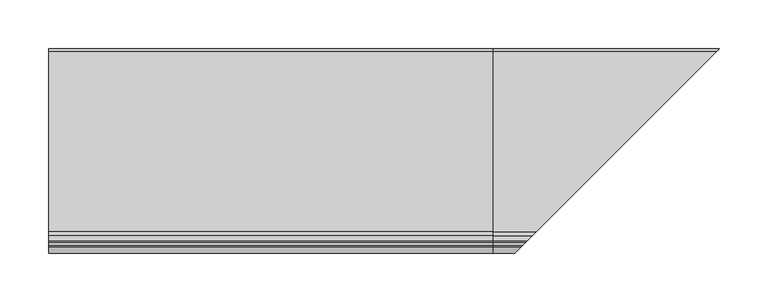
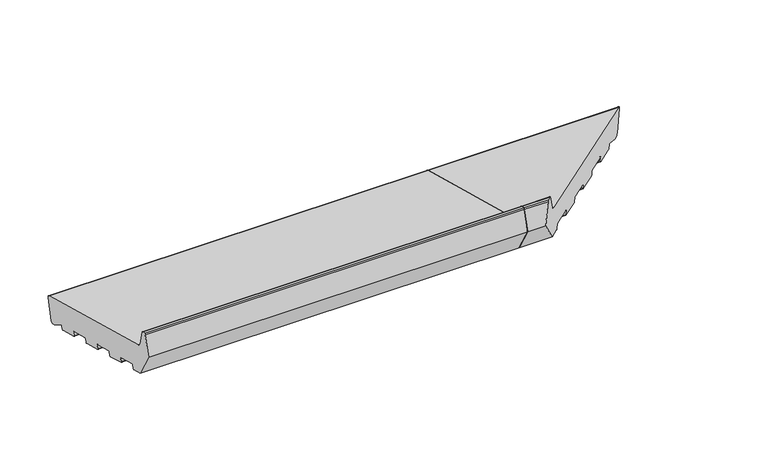
"""IFC4 building model written with IfcOpenShell, lengths in millimetres: proxy geometry."""

from ifc_helpers import new_model, si_unit, point, frame, frame_2d, origin, place, context, project, spatial, polyline, circle_curve, ellipse_curve, trimmed, segment, composite_curve, outline, extrude, source, transform, mapped, element, save
from ifc_brep_helpers import plane_surface, cylinder_surface, revolved_surface, advanced_brep


def generic_models_ef19a88b(model_context):
    return source(origin(), model_context, "Body", "SolidModel", [
        advanced_brep(
        [(455.0, 27.5646181, 4.649359), (455.0, 24.8478405, 5.3773174), (455.0, 10.6796108, 13.9647636), (455.0, 9.195355, 13.368402), (455.0, 8.2461016, 9.8257399), (455.0, 7.0213567, 9.1186331), (455.0, -15.1949373, 15.0714712), (455.0, -15.9020441, 16.2962161), (455.0, -14.8667679, 20.1599194), (455.0, -15.5738747, 21.3846642), (455.0, -38.7560945, 27.5963213), (455.0, -39.9808394, 26.8892145), (455.0, -41.0161156, 23.0255112), (455.0, -42.2408604, 22.3184044), (455.0, -64.4571545, 28.2712425), (455.0, -65.1642612, 29.4959874), (455.0, -64.1289851, 33.3596907), (455.0, -64.8360918, 34.5844355), (455.0, -88.0183117, 40.7960926), (455.0, -89.2430565, 40.0889858), (455.0, -90.2783327, 36.2252825), (455.0, -91.5030776, 35.5181757), (455.0, -113.7193716, 41.4710138), (455.0, -114.4264784, 42.6957587), (455.0, -113.3912022, 46.559462), (455.0, -114.098309, 47.7842068), (455.0, -137.2805288, 53.9958639), (455.0, -138.5052737, 53.2887571), (455.0, -139.5405499, 49.4250538), (455.0, -140.7652947, 48.717947), (455.0, -153.3223305, 52.0825946), (455.0, -171.0, 82.7012164), (455.0, -164.4291321, 107.2240293), (455.0, -162.9802434, 108.3358007), (455.0, -159.6368689, 108.3358007), (455.0, -158.1879801, 107.2240293), (455.0, -153.4052841, 89.3747645), (455.0, -149.1626434, 85.1321238), (455.0, 35.8468275, 35.5589855), (455.0, 37.9681479, 31.8847509), (455.0, 31.2388527, 6.7706794), (679.2388527, 31.2388527, 6.7706794), (675.5646181, 27.5646181, 4.649359), (685.9681479, 37.9681479, 31.8847509), (683.8468275, 35.8468275, 35.5589855), (498.8373566, -149.1626434, 85.1321238), (494.5947159, -153.4052841, 89.3747645), (489.8120199, -158.1879801, 107.2240293), (488.3631311, -159.6368689, 108.3358007), (485.0197566, -162.9802434, 108.3358007), (483.5708679, -164.4291321, 107.2240293), (477.0, -171.0, 82.7012164), (494.6776695, -153.3223305, 52.0825946), (507.2347053, -140.7652947, 48.717947), (508.4594501, -139.5405499, 49.4250538), (509.4947263, -138.5052737, 53.2887571), (510.7194712, -137.2805288, 53.9958639), (533.901691, -114.098309, 47.7842068), (534.6087978, -113.3912022, 46.559462), (533.5735216, -114.4264784, 42.6957587), (534.2806284, -113.7193716, 41.4710138), (556.4969224, -91.5030776, 35.5181757), (557.7216673, -90.2783327, 36.2252825), (558.7569435, -89.2430565, 40.0889858), (559.9816883, -88.0183117, 40.7960926), (672.8478405, 24.8478405, 5.3773174), (583.1639082, -64.8360918, 34.5844355), (583.5428455, -64.4571545, 28.2712425), (582.8357388, -65.1642612, 29.4959874), (583.8710149, -64.1289851, 33.3596907), (605.7591396, -42.2408604, 22.3184044), (606.9838844, -41.0161156, 23.0255112), (608.0191606, -39.9808394, 26.8892145), (609.2439055, -38.7560945, 27.5963213), (632.4261253, -15.5738747, 21.3846642), (633.1332321, -14.8667679, 20.1599194), (632.0979559, -15.9020441, 16.2962161), (632.8050627, -15.1949373, 15.0714712), (655.0213567, 7.0213567, 9.1186331), (656.2461016, 8.2461016, 9.8257399), (657.195355, 9.195355, 13.368402), (658.6796108, 10.6796108, 13.9647636)],
        [
            (0, 1),
            (1, 2),
            (2, 3, circle_curve(frame((455.0, 10.1612808, 13.1095829), z_axis=(1.0, 0.0, 0.0), x_axis=(0.0, 1.0, 0.0)), 1.0)),
            (3, 4),
            (4, 5, circle_curve(frame((455.0, 7.2801757, 10.084559), z_axis=(-1.0, 0.0, 0.0), x_axis=(0.0, 1.0, 0.0)), 1.0)),
            (5, 6),
            (6, 7, circle_curve(frame((455.0, -14.9361183, 16.037397), z_axis=(-1.0, 0.0, 0.0), x_axis=(0.0, 1.0, 0.0)), 1.0)),
            (7, 8),
            (8, 9, circle_curve(frame((455.0, -15.8326937, 20.4187384), z_axis=(1.0, 0.0, 0.0), x_axis=(0.0, 1.0, 0.0)), 1.0)),
            (9, 10),
            (10, 11, circle_curve(frame((455.0, -39.0149136, 26.6303955), z_axis=(1.0, 0.0, 0.0), x_axis=(0.0, 1.0, 0.0)), 1.0)),
            (11, 12),
            (12, 13, circle_curve(frame((455.0, -41.9820414, 23.2843303), z_axis=(-1.0, 0.0, 0.0), x_axis=(0.0, 1.0, 0.0)), 1.0)),
            (13, 14),
            (14, 15, circle_curve(frame((455.0, -64.1983354, 29.2371683), z_axis=(-1.0, 0.0, 0.0), x_axis=(0.0, 1.0, 0.0)), 1.0)),
            (15, 16),
            (16, 17, circle_curve(frame((455.0, -65.0949109, 33.6185097), z_axis=(1.0, 0.0, 0.0), x_axis=(0.0, 1.0, 0.0)), 1.0)),
            (17, 18),
            (18, 19, circle_curve(frame((455.0, -88.2771307, 39.8301668), z_axis=(1.0, 0.0, 0.0), x_axis=(0.0, 1.0, 0.0)), 1.0)),
            (19, 20),
            (20, 21, circle_curve(frame((455.0, -91.2442585, 36.4841016), z_axis=(-1.0, 0.0, 0.0), x_axis=(0.0, 1.0, 0.0)), 1.0)),
            (21, 22),
            (22, 23, circle_curve(frame((455.0, -113.4605525, 42.4369396), z_axis=(-1.0, 0.0, 0.0), x_axis=(0.0, 1.0, 0.0)), 1.0)),
            (23, 24),
            (24, 25, circle_curve(frame((455.0, -114.357128, 46.818281), z_axis=(1.0, 0.0, 0.0), x_axis=(0.0, 1.0, 0.0)), 1.0)),
            (25, 26),
            (26, 27, circle_curve(frame((455.0, -137.5393479, 53.0299381), z_axis=(1.0, 0.0, 0.0), x_axis=(0.0, 1.0, 0.0)), 1.0)),
            (27, 28),
            (28, 29, circle_curve(frame((455.0, -140.5064757, 49.6838729), z_axis=(-1.0, 0.0, 0.0), x_axis=(0.0, 1.0, 0.0)), 1.0)),
            (29, 30),
            (30, 31),
            (31, 32),
            (32, 33, circle_curve(frame((455.0, -162.9802434, 106.8358007), z_axis=(-1.0, 0.0, 0.0), x_axis=(0.0, 1.0, 0.0)), 1.5)),
            (33, 34),
            (34, 35, circle_curve(frame((455.0, -159.6368689, 106.8358007), z_axis=(-1.0, 0.0, 0.0), x_axis=(0.0, 1.0, 0.0)), 1.5)),
            (35, 36),
            (36, 37, circle_curve(frame((455.0, -147.6097291, 90.9276787), z_axis=(1.0, 0.0, 0.0), x_axis=(0.0, 1.0, 0.0)), 6.0)),
            (37, 38),
            (38, 39, circle_curve(frame((455.0, 35.0703704, 32.661208), z_axis=(-1.0, 0.0, 0.0), x_axis=(0.0, 1.0, 0.0)), 3.0)),
            (39, 40),
            (40, 0, circle_curve(frame((455.0, 28.3410752, 7.5471365), z_axis=(-1.0, 0.0, 0.0), x_axis=(0.0, 1.0, 0.0)), 3.0)),
            (40, 41),
            (41, 42, ellipse_curve(frame((676.3410752, 28.3410752, 7.5471365), z_axis=(-0.707106781186548, 0.7071067811865471, 0.0), x_axis=(0.707106781186547, 0.707106781186548, 0.0)), 4.2426407, 3.0)),
            (42, 0),
            (39, 43),
            (43, 41),
            (38, 44),
            (44, 43, ellipse_curve(frame((683.0703704, 35.0703704, 32.661208), z_axis=(-0.707106781186548, 0.7071067811865471, 0.0), x_axis=(0.707106781186547, 0.707106781186548, 0.0)), 4.2426407, 3.0)),
            (37, 45),
            (45, 44),
            (36, 46),
            (46, 45, ellipse_curve(frame((500.3902709, -147.6097291, 90.9276787), z_axis=(0.707106781186548, -0.7071067811865471, 0.0), x_axis=(-0.707106781186547, -0.707106781186548, 0.0)), 8.4852814, 6.0)),
            (35, 47),
            (47, 46),
            (34, 48),
            (48, 47, ellipse_curve(frame((488.3631311, -159.6368689, 106.8358007), z_axis=(-0.707106781186548, 0.7071067811865471, 0.0), x_axis=(0.707106781186547, 0.707106781186548, 0.0)), 2.1213203, 1.5)),
            (33, 49),
            (49, 48),
            (32, 50),
            (50, 49, ellipse_curve(frame((485.0197566, -162.9802434, 106.8358007), z_axis=(-0.707106781186548, 0.7071067811865471, 0.0), x_axis=(0.707106781186547, 0.707106781186548, 0.0)), 2.1213203, 1.5)),
            (31, 51),
            (51, 50),
            (30, 52),
            (52, 51),
            (29, 53),
            (53, 52),
            (28, 54),
            (54, 53, ellipse_curve(frame((507.4935243, -140.5064757, 49.6838729), z_axis=(-0.707106781186548, 0.7071067811865471, 0.0), x_axis=(0.707106781186547, 0.707106781186548, 0.0)), 1.4142136, 1.0)),
            (27, 55),
            (55, 54),
            (26, 56),
            (56, 55, ellipse_curve(frame((510.4606521, -137.5393479, 53.0299381), z_axis=(0.707106781186548, -0.7071067811865471, 0.0), x_axis=(-0.707106781186547, -0.707106781186548, 0.0)), 1.4142136, 1.0)),
            (25, 57),
            (57, 56),
            (24, 58),
            (58, 57, ellipse_curve(frame((533.642872, -114.357128, 46.818281), z_axis=(0.707106781186548, -0.7071067811865471, 0.0), x_axis=(-0.707106781186547, -0.707106781186548, 0.0)), 1.4142136, 1.0)),
            (23, 59),
            (59, 58),
            (22, 60),
            (60, 59, ellipse_curve(frame((534.5394475, -113.4605525, 42.4369396), z_axis=(-0.707106781186548, 0.7071067811865471, 0.0), x_axis=(0.707106781186547, 0.707106781186548, 0.0)), 1.4142136, 1.0)),
            (21, 61),
            (61, 60),
            (20, 62),
            (62, 61, ellipse_curve(frame((556.7557415, -91.2442585, 36.4841016), z_axis=(-0.707106781186548, 0.7071067811865471, 0.0), x_axis=(0.707106781186547, 0.707106781186548, 0.0)), 1.4142136, 1.0)),
            (19, 63),
            (63, 62),
            (18, 64),
            (64, 63, ellipse_curve(frame((559.7228693, -88.2771307, 39.8301668), z_axis=(0.707106781186548, -0.7071067811865471, 0.0), x_axis=(-0.707106781186547, -0.707106781186548, 0.0)), 1.4142136, 1.0)),
            (42, 65),
            (65, 1),
            (17, 66),
            (66, 64),
            (14, 67),
            (67, 68, ellipse_curve(frame((583.8016646, -64.1983354, 29.2371683), z_axis=(-0.707106781186548, 0.7071067811865471, 0.0), x_axis=(0.707106781186547, 0.707106781186548, 0.0)), 1.4142136, 1.0)),
            (68, 15),
            (68, 69),
            (69, 16),
            (69, 66, ellipse_curve(frame((582.9050891, -65.0949109, 33.6185097), z_axis=(0.707106781186548, -0.7071067811865471, 0.0), x_axis=(-0.707106781186547, -0.707106781186548, 0.0)), 1.4142136, 1.0)),
            (13, 70),
            (70, 67),
            (12, 71),
            (71, 70, ellipse_curve(frame((606.0179586, -41.9820414, 23.2843303), z_axis=(-0.707106781186548, 0.7071067811865471, 0.0), x_axis=(0.707106781186547, 0.707106781186548, 0.0)), 1.4142136, 1.0)),
            (11, 72),
            (72, 71),
            (10, 73),
            (73, 72, ellipse_curve(frame((608.9850864, -39.0149136, 26.6303955), z_axis=(0.707106781186548, -0.7071067811865471, 0.0), x_axis=(-0.707106781186547, -0.707106781186548, 0.0)), 1.4142136, 1.0)),
            (9, 74),
            (74, 73),
            (74, 75, ellipse_curve(frame((632.1673063, -15.8326937, 20.4187384), z_axis=(-0.707106781186548, 0.7071067811865471, 0.0), x_axis=(-0.707106781186547, -0.707106781186548, 0.0)), 1.4142136, 1.0)),
            (75, 76),
            (76, 77, ellipse_curve(frame((633.0638817, -14.9361183, 16.037397), z_axis=(0.707106781186548, -0.7071067811865471, 0.0), x_axis=(0.707106781186547, 0.707106781186548, 0.0)), 1.4142136, 1.0)),
            (77, 78),
            (78, 79, ellipse_curve(frame((655.2801757, 7.2801757, 10.084559), z_axis=(0.707106781186548, -0.7071067811865471, 0.0), x_axis=(0.707106781186547, 0.707106781186548, 0.0)), 1.4142136, 1.0)),
            (79, 80),
            (80, 81, ellipse_curve(frame((658.1612808, 10.1612808, 13.1095829), z_axis=(-0.707106781186548, 0.7071067811865471, 0.0), x_axis=(-0.707106781186547, -0.707106781186548, 0.0)), 1.4142136, 1.0)),
            (81, 65),
            (81, 2),
            (80, 3),
            (79, 4),
            (78, 5),
            (77, 6),
            (76, 7),
            (75, 8),
        ],
        [
            plane_surface(frame((455.0, 0.0, 0.0), z_axis=(-1.0, 0.0, 0.0), x_axis=(0.0, 0.0, 1.0))),
            cylinder_surface(frame((686.2117918, 28.3410752, 7.5471365), z_axis=(1.0, 0.0, 0.0), x_axis=(0.0, 1.0, 0.0)), 3.0),
            plane_surface(frame((686.2117918, 37.9681479, 31.8847509), z_axis=(0.0, 0.9659258262890688, -0.2588190451025192), x_axis=(-1.0, 0.0, 0.0))),
            cylinder_surface(frame((686.2117918, 35.0703704, 32.661208), z_axis=(1.0, 0.0, 0.0), x_axis=(0.0, 1.0, 0.0)), 3.0),
            plane_surface(frame((686.2117918, -149.1626434, 85.1321238), z_axis=(0.0, 0.2588190451025207, 0.9659258262890683), x_axis=(-1.0, 0.0, 0.0))),
            revolved_surface(polyline([(455.0, -141.6097291, 90.9276787), (506.39027091821606, -141.6097291, 90.9276787)]), (686.2117918, -147.6097291, 90.9276787), (-1.0, 0.0, 0.0)),
            plane_surface(frame((686.2117918, -158.1879801, 107.2240293), z_axis=(0.0, 0.9659258262890698, 0.25881904510251524), x_axis=(-1.0, 0.0, 0.0))),
            cylinder_surface(frame((686.2117918, -159.6368689, 106.8358007), z_axis=(1.0, 0.0, 0.0), x_axis=(0.0, 1.0, 0.0)), 1.5),
            plane_surface(frame((686.2117918, -162.9802434, 108.3358007), z_axis=(0.0, 0.0, 1.0), x_axis=(-1.0, 0.0, 0.0))),
            cylinder_surface(frame((686.2117918, -162.9802434, 106.8358007), z_axis=(1.0, 0.0, 0.0), x_axis=(0.0, 1.0, 0.0)), 1.5),
            plane_surface(frame((686.2117918, -171.0, 82.7012164), z_axis=(0.0, -0.9659258262890683, 0.2588190451025209), x_axis=(-1.0, 0.0, 0.0))),
            plane_surface(frame((686.2117918, -153.3223305, 52.0825946), z_axis=(0.0, -0.8660254037844415, -0.4999999999999952), x_axis=(-1.0, 0.0, 0.0))),
            plane_surface(frame((686.2117918, -140.7652947, 48.717947), z_axis=(0.0, -0.2588190451025172, -0.9659258262890693), x_axis=(-1.0, 0.0, 0.0))),
            cylinder_surface(frame((686.2117918, -140.5064757, 49.6838729), z_axis=(1.0, 0.0, 0.0), x_axis=(0.0, 1.0, 0.0)), 1.0),
            plane_surface(frame((686.2117918, -138.5052737, 53.2887571), z_axis=(0.0, 0.9659258262890776, -0.25881904510248605), x_axis=(-1.0, 0.0, 0.0))),
            revolved_surface(polyline([(455.0, -136.5393479, 53.0299381), (511.46065212660625, -136.5393479, 53.0299381)]), (686.2117918, -137.5393479, 53.0299381), (-1.0, 0.0, 0.0)),
            plane_surface(frame((686.2117918, -114.098309, 47.7842068), z_axis=(0.0, -0.258819045102523, -0.9659258262890678), x_axis=(-1.0, 0.0, 0.0))),
            revolved_surface(polyline([(455.0, -113.357128, 46.818281), (534.6428720266063, -113.357128, 46.818281)]), (686.2117918, -114.357128, 46.818281), (-1.0, 0.0, 0.0)),
            plane_surface(frame((686.2117918, -114.4264784, 42.6957587), z_axis=(0.0, -0.9659258262890776, 0.25881904510248605), x_axis=(-1.0, 0.0, 0.0))),
            cylinder_surface(frame((686.2117918, -113.4605525, 42.4369396), z_axis=(1.0, 0.0, 0.0), x_axis=(0.0, 1.0, 0.0)), 1.0),
            plane_surface(frame((686.2117918, -91.5030776, 35.5181757), z_axis=(0.0, -0.2588190451025226, -0.9659258262890679), x_axis=(-1.0, 0.0, 0.0))),
            cylinder_surface(frame((686.2117918, -91.2442585, 36.4841016), z_axis=(1.0, 0.0, 0.0), x_axis=(0.0, 1.0, 0.0)), 1.0),
            plane_surface(frame((686.2117918, -89.2430565, 40.0889858), z_axis=(0.0, 0.9659258262890776, -0.25881904510248605), x_axis=(-1.0, 0.0, 0.0))),
            revolved_surface(polyline([(455.0, -87.2771307, 39.8301668), (560.7228693266062, -87.2771307, 39.8301668)]), (686.2117918, -88.2771307, 39.8301668), (-1.0, 0.0, 0.0)),
            plane_surface(frame((686.2117918, 27.5646181, 4.649359), z_axis=(0.0, -0.2588190451025255, -0.9659258262890671), x_axis=(-1.0, 0.0, 0.0))),
            plane_surface(frame((686.2117918, -64.8360918, 34.5844355), z_axis=(0.0, -0.2588190451025206, -0.9659258262890683), x_axis=(-1.0, 0.0, 0.0))),
            cylinder_surface(frame((686.2117918, -64.1983354, 29.2371683), z_axis=(1.0, 0.0, 0.0), x_axis=(0.0, 1.0, 0.0)), 1.0),
            plane_surface(frame((686.2117918, -65.1642612, 29.4959874), z_axis=(0.0, -0.9659258262890776, 0.25881904510248605), x_axis=(-1.0, 0.0, 0.0))),
            revolved_surface(polyline([(455.0, -64.0949109, 33.6185097), (583.9050891266063, -64.0949109, 33.6185097)]), (686.2117918, -65.0949109, 33.6185097), (-1.0, 0.0, 0.0)),
            plane_surface(frame((686.2117918, -42.2408604, 22.3184044), z_axis=(0.0, -0.2588190451025198, -0.9659258262890686), x_axis=(-1.0, 0.0, 0.0))),
            cylinder_surface(frame((686.2117918, -41.9820414, 23.2843303), z_axis=(1.0, 0.0, 0.0), x_axis=(0.0, 1.0, 0.0)), 1.0),
            plane_surface(frame((686.2117918, -39.9808394, 26.8892145), z_axis=(0.0, 0.9659258262890776, -0.25881904510248605), x_axis=(-1.0, 0.0, 0.0))),
            revolved_surface(polyline([(455.0, -38.0149136, 26.6303955), (609.9850864266062, -38.0149136, 26.6303955)]), (686.2117918, -39.0149136, 26.6303955), (-1.0, 0.0, 0.0)),
            plane_surface(frame((686.2117918, -15.5738747, 21.3846642), z_axis=(0.0, -0.25881904510252063, -0.9659258262890683), x_axis=(-1.0, 0.0, 0.0))),
            plane_surface(frame((630.6233951, -17.3766049, 0.0), z_axis=(0.707106781186548, -0.7071067811865471, 0.0), x_axis=(0.0, 0.0, 1.0))),
            plane_surface(frame((686.2117918, 24.8478405, 5.3773174), z_axis=(0.0, -0.5183299834329768, -0.8551806991942522), x_axis=(-1.0, 0.0, 0.0))),
            revolved_surface(polyline([(455.0, 11.1612808, 13.1095829), (659.1612808266062, 11.1612808, 13.1095829)]), (686.2117918, 10.1612808, 13.1095829), (-1.0, 0.0, 0.0)),
            plane_surface(frame((686.2117918, 9.195355, 13.368402), z_axis=(0.0, 0.9659258262890607, -0.2588190451025496), x_axis=(-1.0, 0.0, 0.0))),
            cylinder_surface(frame((686.2117918, 7.2801757, 10.084559), z_axis=(1.0, 0.0, 0.0), x_axis=(0.0, 1.0, 0.0)), 1.0),
            plane_surface(frame((686.2117918, 7.0213567, 9.1186331), z_axis=(0.0, -0.2588190451025221, -0.965925826289068), x_axis=(-1.0, 0.0, 0.0))),
            cylinder_surface(frame((686.2117918, -14.9361183, 16.037397), z_axis=(1.0, 0.0, 0.0), x_axis=(0.0, 1.0, 0.0)), 1.0),
            plane_surface(frame((686.2117918, -15.9020441, 16.2962161), z_axis=(0.0, -0.9659258262890634, 0.2588190451025393), x_axis=(-1.0, 0.0, 0.0))),
            revolved_surface(polyline([(455.0, -14.8326937, 20.4187384), (633.1673063266062, -14.8326937, 20.4187384)]), (686.2117918, -15.8326937, 20.4187384), (-1.0, 0.0, 0.0)),
        ],
        [
            (0, [[1, 2, 3, 4, 5, 6, 7, 8, 9, 10, 11, 12, 13, 14, 15, 16, 17, 18, 19, 20, 21, 22, 23, 24, 25, 26, 27, 28, 29, 30, 31, 32, 33, 34, 35, 36, 37, 38, 39, 40, 41]]),
            (1, [[42, 43, 44, -41]]),
            (2, [[45, 46, -42, -40]]),
            (3, [[47, 48, -45, -39]]),
            (4, [[49, 50, -47, -38]]),
            (5, [[51, 52, -49, -37]]),
            (6, [[53, 54, -51, -36]]),
            (7, [[55, 56, -53, -35]]),
            (8, [[57, 58, -55, -34]]),
            (9, [[59, 60, -57, -33]]),
            (10, [[61, 62, -59, -32]]),
            (11, [[63, 64, -61, -31]]),
            (12, [[65, 66, -63, -30]]),
            (13, [[67, 68, -65, -29]]),
            (14, [[69, 70, -67, -28]]),
            (15, [[71, 72, -69, -27]]),
            (16, [[73, 74, -71, -26]]),
            (17, [[75, 76, -73, -25]]),
            (18, [[77, 78, -75, -24]]),
            (19, [[79, 80, -77, -23]]),
            (20, [[81, 82, -79, -22]]),
            (21, [[83, 84, -81, -21]]),
            (22, [[85, 86, -83, -20]]),
            (23, [[87, 88, -85, -19]]),
            (24, [[-44, 89, 90, -1]]),
            (25, [[91, 92, -87, -18]]),
            (26, [[93, 94, 95, -15]]),
            (27, [[-95, 96, 97, -16]]),
            (28, [[-97, 98, -91, -17]]),
            (29, [[99, 100, -93, -14]]),
            (30, [[101, 102, -99, -13]]),
            (31, [[103, 104, -101, -12]]),
            (32, [[105, 106, -103, -11]]),
            (33, [[107, 108, -105, -10]]),
            (34, [[-46, -48, -50, -52, -54, -56, -58, -60, -62, -64, -66, -68, -70, -72, -74, -76, -78, -80, -82, -84, -86, -88, -92, -98, -96, -94, -100, -102, -104, -106, -108, 109, 110, 111, 112, 113, 114, 115, 116, -89, -43]]),
            (35, [[-90, -116, 117, -2]]),
            (36, [[-117, -115, 118, -3]]),
            (37, [[-118, -114, 119, -4]]),
            (38, [[-119, -113, 120, -5]]),
            (39, [[-120, -112, 121, -6]]),
            (40, [[-121, -111, 122, -7]]),
            (41, [[-122, -110, 123, -8]]),
            (42, [[-123, -109, -107, -9]]),
        ],
    ),
        extrude(outline(composite_curve([segment(polyline([(27.5646181, 4.649359), (24.8478405, 5.3773174), (10.6796108, 13.9647636)]), True, "CONTINUOUS"), segment(trimmed(circle_curve(frame_2d((10.1612808, 13.1095829)), 1.0), [point((10.6796108, 13.9647636))], [point((9.195355, 13.368402))], True, "CARTESIAN"), True, "CONTINUOUS"), segment(polyline([(9.195355, 13.368402), (8.2461016, 9.8257399)]), True, "CONTINUOUS"), segment(trimmed(circle_curve(frame_2d((7.2801757, 10.084559)), 1.0), [point((8.2461016, 9.8257399))], [point((7.0213567, 9.1186331))], False, "CARTESIAN"), True, "CONTINUOUS"), segment(polyline([(7.0213567, 9.1186331), (-15.1949373, 15.0714712)]), True, "CONTINUOUS"), segment(trimmed(circle_curve(frame_2d((-14.9361183, 16.037397)), 1.0), [point((-15.1949373, 15.0714712))], [point((-15.9020441, 16.2962161))], False, "CARTESIAN"), True, "CONTINUOUS"), segment(polyline([(-15.9020441, 16.2962161), (-14.8667679, 20.1599194)]), True, "CONTINUOUS"), segment(trimmed(circle_curve(frame_2d((-15.8326937, 20.4187384)), 1.0), [point((-14.8667679, 20.1599194))], [point((-15.5738747, 21.3846642))], True, "CARTESIAN"), True, "CONTINUOUS"), segment(polyline([(-15.5738747, 21.3846642), (-38.7560945, 27.5963213)]), True, "CONTINUOUS"), segment(trimmed(circle_curve(frame_2d((-39.0149136, 26.6303955)), 1.0), [point((-38.7560945, 27.5963213))], [point((-39.9808394, 26.8892145))], True, "CARTESIAN"), True, "CONTINUOUS"), segment(polyline([(-39.9808394, 26.8892145), (-41.0161156, 23.0255112)]), True, "CONTINUOUS"), segment(trimmed(circle_curve(frame_2d((-41.9820414, 23.2843303)), 1.0), [point((-41.0161156, 23.0255112))], [point((-42.2408604, 22.3184044))], False, "CARTESIAN"), True, "CONTINUOUS"), segment(polyline([(-42.2408604, 22.3184044), (-64.4571545, 28.2712425)]), True, "CONTINUOUS"), segment(trimmed(circle_curve(frame_2d((-64.1983354, 29.2371683)), 1.0), [point((-64.4571545, 28.2712425))], [point((-65.1642612, 29.4959874))], False, "CARTESIAN"), True, "CONTINUOUS"), segment(polyline([(-65.1642612, 29.4959874), (-64.1289851, 33.3596907)]), True, "CONTINUOUS"), segment(trimmed(circle_curve(frame_2d((-65.0949109, 33.6185097)), 1.0), [point((-64.1289851, 33.3596907))], [point((-64.8360918, 34.5844355))], True, "CARTESIAN"), True, "CONTINUOUS"), segment(polyline([(-64.8360918, 34.5844355), (-88.0183117, 40.7960926)]), True, "CONTINUOUS"), segment(trimmed(circle_curve(frame_2d((-88.2771307, 39.8301668)), 1.0), [point((-88.0183117, 40.7960926))], [point((-89.2430565, 40.0889858))], True, "CARTESIAN"), True, "CONTINUOUS"), segment(polyline([(-89.2430565, 40.0889858), (-90.2783327, 36.2252825)]), True, "CONTINUOUS"), segment(trimmed(circle_curve(frame_2d((-91.2442585, 36.4841016)), 1.0), [point((-90.2783327, 36.2252825))], [point((-91.5030776, 35.5181757))], False, "CARTESIAN"), True, "CONTINUOUS"), segment(polyline([(-91.5030776, 35.5181757), (-113.7193716, 41.4710138)]), True, "CONTINUOUS"), segment(trimmed(circle_curve(frame_2d((-113.4605525, 42.4369396)), 1.0), [point((-113.7193716, 41.4710138))], [point((-114.4264784, 42.6957587))], False, "CARTESIAN"), True, "CONTINUOUS"), segment(polyline([(-114.4264784, 42.6957587), (-113.3912022, 46.559462)]), True, "CONTINUOUS"), segment(trimmed(circle_curve(frame_2d((-114.357128, 46.818281)), 1.0), [point((-113.3912022, 46.559462))], [point((-114.098309, 47.7842068))], True, "CARTESIAN"), True, "CONTINUOUS"), segment(polyline([(-114.098309, 47.7842068), (-137.2805288, 53.9958639)]), True, "CONTINUOUS"), segment(trimmed(circle_curve(frame_2d((-137.5393479, 53.0299381)), 1.0), [point((-137.2805288, 53.9958639))], [point((-138.5052737, 53.2887571))], True, "CARTESIAN"), True, "CONTINUOUS"), segment(polyline([(-138.5052737, 53.2887571), (-139.5405499, 49.4250538)]), True, "CONTINUOUS"), segment(trimmed(circle_curve(frame_2d((-140.5064757, 49.6838729)), 1.0), [point((-139.5405499, 49.4250538))], [point((-140.7652947, 48.717947))], False, "CARTESIAN"), True, "CONTINUOUS"), segment(polyline([(-140.7652947, 48.717947), (-153.3223305, 52.0825946), (-171.0, 82.7012164), (-164.4291321, 107.2240293)]), True, "CONTINUOUS"), segment(trimmed(circle_curve(frame_2d((-162.9802434, 106.8358007)), 1.5), [point((-164.4291321, 107.2240293))], [point((-162.9802434, 108.3358007))], False, "CARTESIAN"), True, "CONTINUOUS"), segment(polyline([(-162.9802434, 108.3358007), (-159.6368689, 108.3358007)]), True, "CONTINUOUS"), segment(trimmed(circle_curve(frame_2d((-159.6368689, 106.8358007)), 1.5), [point((-159.6368689, 108.3358007))], [point((-158.1879801, 107.2240293))], False, "CARTESIAN"), True, "CONTINUOUS"), segment(polyline([(-158.1879801, 107.2240293), (-153.4052841, 89.3747645)]), True, "CONTINUOUS"), segment(trimmed(circle_curve(frame_2d((-147.6097291, 90.9276787)), 6.0), [point((-153.4052841, 89.3747645))], [point((-149.1626434, 85.1321238))], True, "CARTESIAN"), True, "CONTINUOUS"), segment(polyline([(-149.1626434, 85.1321238), (35.8468275, 35.5589855)]), True, "CONTINUOUS"), segment(trimmed(circle_curve(frame_2d((35.0703704, 32.661208)), 3.0), [point((35.8468275, 35.5589855))], [point((37.9681479, 31.8847509))], False, "CARTESIAN"), True, "CONTINUOUS"), segment(polyline([(37.9681479, 31.8847509), (31.2388527, 6.7706794)]), True, "CONTINUOUS"), segment(trimmed(circle_curve(frame_2d((28.3410752, 7.5471365)), 3.0), [point((31.2388527, 6.7706794))], [point((27.5646181, 4.649359))], False, "CARTESIAN"), True, "CONTINUOUS")], self_intersect=False)), frame((0.0, 0.0, 0.0), z_axis=(1.0, 0.0, 0.0), x_axis=(0.0, 1.0, 0.0)), (0.0, 0.0, 1.0), 455.0),
    ])


if __name__ == "__main__":
    model = new_model("IFC4")
    model_context = context("Model", 3, world=origin())
    ifc_project = project(units=[si_unit("LENGTHUNIT", "METRE", prefix="MILLI")], contexts=[model_context])
    site = spatial("IfcSite", under=ifc_project)
    building = spatial("IfcBuilding", under=site)
    placement = place(None, origin())
    generic_models_shape = generic_models_ef19a88b(model_context)
    element("IfcBuildingElementProxy", 1, Name="Generic Models", at=placement, inside=building, context=model_context, shape_type="MappedRepresentation", body=[
        mapped(generic_models_shape, transform((0.0, 0.0, 0.0), x_axis=(1.0, 0.0, 0.0), y_axis=(0.0, 1.0, 0.0), z_axis=(0.0, 0.0, 1.0))),
    ])
    save(model, "model.ifc")
